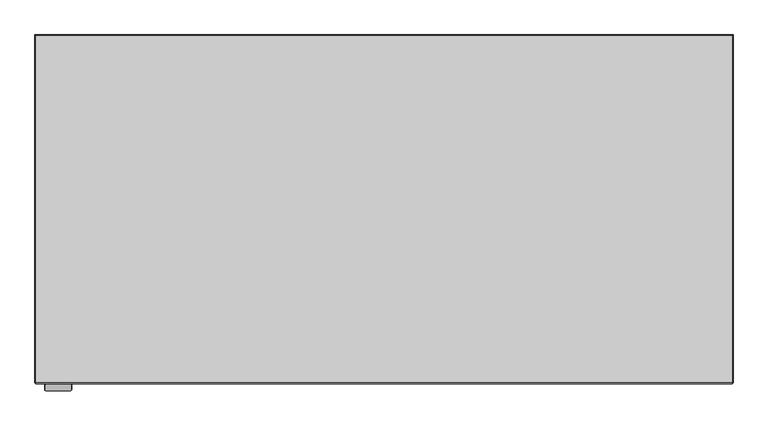
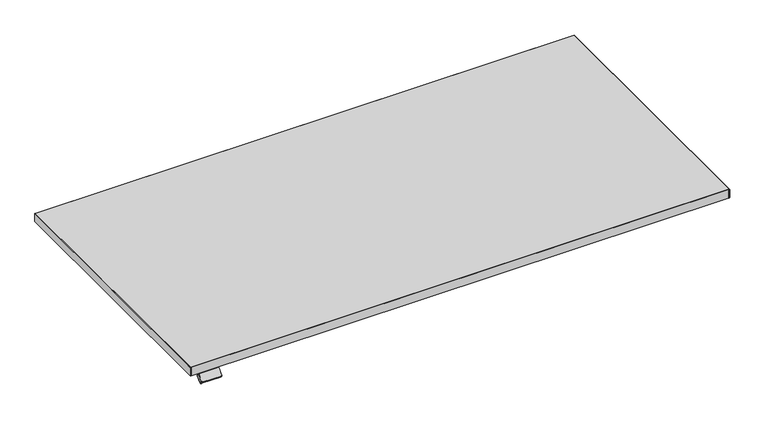
"""IFC4 building model written with IfcOpenShell, lengths in millimetres: furniture geometry."""

from ifc_helpers import new_model, si_unit, point, frame, frame_2d, origin, place, context, project, spatial, polyline, circle_curve, trimmed, segment, composite_curve, outline, extrude, faceted_brep, source, transform, mapped, element, save
from ifc_brep_helpers import plane_surface, cylinder_surface, advanced_brep


def furniture_91ea06f3(model_context):
    return source(origin(), model_context, "Body", "SolidModel", [
        advanced_brep(
        [(-712.1377438, -419.5454312, 964.838), (-712.1377438, -451.6, 964.838), (-662.6377614, -451.6, 964.838), (-662.6377614, -419.5454312, 964.838), (-662.6377614, -419.5454312, 957.0941454), (-662.6377614, -446.6161373, 957.0941454), (-712.1377438, -446.6161373, 957.0941454), (-712.1377438, -419.5454312, 957.0941454), (-662.6377614, -451.6, 961.3022703), (-662.6377614, -449.1527665, 963.7495038), (-662.6377614, -444.5567727, 959.15351), (-712.1377438, -451.6, 961.3022703), (-712.1377438, -444.5567727, 959.15351), (-712.1377438, -449.1527665, 963.7495038), (-661.1885979, -449.1527665, 963.7495038), (-713.486, -449.1527665, 963.7495038), (-715.518, -450.5896075, 962.3126628), (-715.518, -464.8280905, 948.0741797), (-713.486, -466.2649315, 946.6373388), (-661.5656329, -466.2649315, 946.6373388), (-659.3357614, -464.6881742, 948.2140961), (-659.3357614, -450.4629198, 962.4393505), (-713.486, -444.5567727, 959.15351), (-661.1885979, -444.5567727, 959.15351), (-659.3357614, -445.866926, 957.8433567), (-659.3357614, -460.0921804, 943.6181023), (-661.5656329, -461.6689377, 942.041345), (-713.486, -461.6689377, 942.041345), (-715.518, -460.2320967, 943.478186), (-715.518, -445.9936137, 957.716669)],
        [
            (0, 1),
            (1, 2),
            (2, 3),
            (3, 0),
            (4, 5),
            (5, 6),
            (6, 7),
            (7, 4),
            (3, 4),
            (7, 0),
            (2, 8),
            (8, 9),
            (9, 10),
            (10, 5),
            (1, 11),
            (11, 8),
            (6, 12),
            (12, 13),
            (13, 11),
            (14, 9),
            (13, 15),
            (15, 16, circle_curve(frame((-713.486, -450.5896075, 962.3126628), z_axis=(0.0, -0.7071067811865493, 0.7071067811865457), x_axis=(0.0, -0.7071067811865457, -0.7071067811865493)), 2.032)),
            (16, 17),
            (17, 18, circle_curve(frame((-713.486, -464.8280905, 948.0741797), z_axis=(0.0, -0.7071067811865493, 0.7071067811865457), x_axis=(0.0, -0.7071067811865457, -0.7071067811865493)), 2.032)),
            (18, 19),
            (19, 20, circle_curve(frame((-661.5656329, -464.6881742, 948.2140961), z_axis=(0.0, -0.7071067811865493, 0.7071067811865457), x_axis=(0.0, -0.7071067811865457, -0.7071067811865493)), 2.2298716)),
            (20, 21),
            (21, 14, circle_curve(frame((-661.1885979, -450.4629198, 962.4393505), z_axis=(0.0, -0.7071067811865493, 0.7071067811865457), x_axis=(0.0, -0.7071067811865457, -0.7071067811865493)), 1.8528366)),
            (22, 12),
            (10, 23),
            (23, 24, circle_curve(frame((-661.1885979, -445.866926, 957.8433567), z_axis=(0.0, 0.7071067811865493, -0.7071067811865457), x_axis=(0.0, -0.7071067811865457, -0.7071067811865493)), 1.8528366)),
            (24, 25),
            (25, 26, circle_curve(frame((-661.5656329, -460.0921804, 943.6181023), z_axis=(0.0, 0.7071067811865493, -0.7071067811865457), x_axis=(0.0, -0.7071067811865457, -0.7071067811865493)), 2.2298716)),
            (26, 27),
            (27, 28, circle_curve(frame((-713.486, -460.2320967, 943.478186), z_axis=(0.0, 0.7071067811865493, -0.7071067811865457), x_axis=(0.0, -0.7071067811865457, -0.7071067811865493)), 2.032)),
            (28, 29),
            (29, 22, circle_curve(frame((-713.486, -445.9936137, 957.716669), z_axis=(0.0, 0.7071067811865493, -0.7071067811865457), x_axis=(0.0, -0.7071067811865457, -0.7071067811865493)), 2.032)),
            (22, 15),
            (14, 23),
            (21, 24),
            (20, 25),
            (19, 26),
            (18, 27),
            (17, 28),
            (16, 29),
        ],
        [
            plane_surface(frame((-662.6377614, -419.5454312, 964.838), z_axis=(0.0, 0.0, 1.0), x_axis=(1.0, 0.0, 0.0))),
            plane_surface(frame((-662.6377614, -419.5454312, 957.0941454), z_axis=(0.0, 0.0, -1.0), x_axis=(-1.0, 0.0, 0.0))),
            plane_surface(frame((-712.1377438, -419.5454312, 964.838), z_axis=(0.0, 1.0, 0.0), x_axis=(0.0, 0.0, -1.0))),
            plane_surface(frame((-662.6377614, -419.5454312, 964.838), z_axis=(1.0, 0.0, 0.0), x_axis=(0.0, 0.0, -1.0))),
            plane_surface(frame((-662.6377614, -451.6, 964.838), z_axis=(0.0, -1.0, 0.0), x_axis=(0.0, 0.0, -1.0))),
            plane_surface(frame((-712.1377438, -451.6, 964.838), z_axis=(-1.0, 0.0, 0.0), x_axis=(0.0, 0.0, -1.0))),
            plane_surface(frame((-661.1885979, -449.1527665, 963.7495038), z_axis=(0.0, -0.7071067811865493, 0.7071067811865457), x_axis=(1.0, 0.0, 0.0))),
            plane_surface(frame((-661.1885979, -444.5567727, 959.15351), z_axis=(0.0, 0.7071067811865493, -0.7071067811865457), x_axis=(-1.0, 0.0, 0.0))),
            plane_surface(frame((-713.486, -449.1527665, 963.7495038), z_axis=(0.0, 0.7071067811865476, 0.7071067811865476), x_axis=(0.0, 0.7071067811865476, -0.7071067811865476))),
            cylinder_surface(frame((-661.1885979, -445.866926, 957.8433567), z_axis=(0.0, -0.7071067811865493, 0.7071067811865457), x_axis=(0.0, -0.7071067811865457, -0.7071067811865493)), 1.8528366),
            plane_surface(frame((-659.3357614, -450.4629198, 962.4393505), z_axis=(1.0000000000000002, 0.0, 0.0), x_axis=(0.0, 0.7071067811865476, -0.7071067811865476))),
            cylinder_surface(frame((-661.5656329, -460.0921804, 943.6181023), z_axis=(0.0, -0.7071067811865493, 0.7071067811865457), x_axis=(0.0, -0.7071067811865457, -0.7071067811865493)), 2.2298716),
            plane_surface(frame((-661.5656329, -466.2649315, 946.6373388), z_axis=(0.0, -0.7071067811865476, -0.7071067811865476), x_axis=(0.0, 0.7071067811865476, -0.7071067811865476))),
            cylinder_surface(frame((-713.486, -460.2320967, 943.478186), z_axis=(0.0, -0.7071067811865493, 0.7071067811865457), x_axis=(0.0, -0.7071067811865457, -0.7071067811865493)), 2.032),
            plane_surface(frame((-715.518, -464.8280905, 948.0741797), z_axis=(-1.0, 0.0, 0.0), x_axis=(0.0, 0.7071067811865527, -0.7071067811865424))),
            cylinder_surface(frame((-713.486, -445.9936137, 957.716669), z_axis=(0.0, -0.7071067811865493, 0.7071067811865457), x_axis=(0.0, -0.7071067811865457, -0.7071067811865493)), 2.032),
        ],
        [
            (0, [[1, 2, 3, 4]]),
            (1, [[5, 6, 7, 8]]),
            (2, [[9, -8, 10, -4]]),
            (3, [[11, 12, 13, 14, -5, -9, -3]]),
            (4, [[15, 16, -11, -2]]),
            (5, [[-10, -7, 17, 18, 19, -15, -1]]),
            (6, [[20, -12, -16, -19, 21, 22, 23, 24, 25, 26, 27, 28]]),
            (7, [[29, -17, -6, -14, 30, 31, 32, 33, 34, 35, 36, 37]]),
            (8, [[-21, -18, -29, 38]]),
            (8, [[-30, -13, -20, 39]]),
            (9, [[40, -31, -39, -28]]),
            (10, [[41, -32, -40, -27]]),
            (11, [[42, -33, -41, -26]]),
            (12, [[43, -34, -42, -25]]),
            (13, [[44, -35, -43, -24]]),
            (14, [[45, -36, -44, -23]]),
            (15, [[-38, -37, -45, -22]]),
        ],
    ),
        extrude(outline(composite_curve([segment(polyline([(48.6765212, 0.0), (0.0, 0.0)]), True, "CONTINUOUS"), segment(trimmed(circle_curve(frame_2d((0.0, 2.8504615)), 2.8504615), [point((0.0, 0.0))], [point((-2.8504616, 2.8504615))], False, "CARTESIAN"), True, "CONTINUOUS"), segment(polyline([(-2.8504616, 2.8504615), (-2.8504616, 19.0283589)]), True, "CONTINUOUS"), segment(trimmed(circle_curve(frame_2d((-0.0003332, 19.0283589)), 2.8501284), [point((-2.8504616, 19.0283589))], [point((-0.0003332, 21.8784873))], False, "CARTESIAN"), True, "CONTINUOUS"), segment(polyline([(-0.0003332, 21.8784873), (48.7382411, 21.8784873)]), True, "CONTINUOUS"), segment(trimmed(circle_curve(frame_2d((48.7382411, 18.8922072)), 2.9862801), [point((48.7382411, 21.8784873))], [point((51.7245212, 18.8922072))], False, "CARTESIAN"), True, "CONTINUOUS"), segment(polyline([(51.7245212, 18.8922072), (51.7245212, 3.048)]), True, "CONTINUOUS"), segment(trimmed(circle_curve(frame_2d((48.6765212, 3.048)), 3.048), [point((51.7245212, 3.048))], [point((48.6765212, 0.0))], False, "CARTESIAN"), True, "CONTINUOUS")], self_intersect=False)), frame((-662.8979479, -443.782049, 956.7297033), z_axis=(0.0, -0.7071067811865493, 0.7071067811865457), x_axis=(-1.0, 0.0, 0.0)), (0.0, 0.0, 1.0), 11.2615577),
        extrude(outline(polyline([(-735.8379612, -450.0014375), (735.837937, -450.0014375), (734.2393744, -451.6), (-734.2393744, -451.6), (-735.8379612, -450.0014375)])), frame((0.0, 0.0, 964.838), z_axis=(0.0, 0.0, 1.0), x_axis=(1.0, 0.0, 0.0)), (0.0, 0.0, 1.0), 25.0),
        faceted_brep([(734.2395821, -451.5997924, 964.838), (734.7783794, -452.1386142, 965.5999919), (734.7783794, -452.1386142, 989.0760081), (734.2395821, -451.5997924, 989.838), (736.5996132, -450.3174632, 989.0760081), (736.5996132, -450.3174632, 965.5999919), (736.5996132, 285.0003864, 965.5999919), (736.5996132, 285.0003864, 989.0760081), (735.8376214, -450.0018257, 964.838), (735.8376214, -450.0018257, 989.838), (735.8376214, 284.2383946, 989.838), (735.8376214, 284.2383946, 964.838), (-736.6, 285.0003864, 965.5999919), (-736.6, 285.0003864, 989.0760081), (-735.8380081, 284.2383946, 989.838), (-735.8380081, 284.2383946, 964.838), (-734.2395821, -451.5997924, 964.838), (-734.2395821, -451.5997924, 989.838), (-734.7783876, -452.138606, 989.0760081), (-734.7783876, -452.138606, 965.5999919), (-736.6, -450.3170212, 965.5999919), (-736.6, -450.3170212, 989.0760081), (-735.8380081, -450.0013905, 989.838), (-735.8380081, -450.0013905, 964.838)], [[[0, 1, 2, 3]], [[4, 5, 6, 7]], [[8, 9, 10, 11]], [[7, 6, 12, 13]], [[11, 10, 14, 15]], [[16, 17, 18, 19]], [[13, 12, 20, 21]], [[15, 14, 22, 23]], [[5, 8, 11, 6]], [[9, 4, 7, 10]], [[6, 11, 15, 12]], [[10, 7, 13, 14]], [[12, 15, 23, 20]], [[14, 13, 21, 22]], [[1, 0, 8, 5]], [[2, 1, 5, 4]], [[3, 2, 4, 9]], [[0, 3, 9, 8]], [[20, 23, 16, 19]], [[21, 20, 19, 18]], [[22, 21, 18, 17]], [[23, 22, 17, 16]]]),
        extrude(outline(polyline([(735.8376214, 284.2383946), (735.8376214, -450.0014375), (-735.8380081, -450.0014375), (-735.8380081, 284.2383946), (735.8376214, 284.2383946)])), frame((0.0, 0.0, 964.838), z_axis=(0.0, 0.0, 1.0), x_axis=(1.0, 0.0, 0.0)), (0.0, 0.0, 1.0), 25.0),
    ])


if __name__ == "__main__":
    model = new_model("IFC4")
    model_context = context("Model", 3, world=origin())
    ifc_project = project(units=[si_unit("LENGTHUNIT", "METRE", prefix="MILLI")], contexts=[model_context])
    site = spatial("IfcSite", under=ifc_project)
    building = spatial("IfcBuilding", under=site)
    placement = place(None, origin())
    furniture_shape = furniture_91ea06f3(model_context)
    element("IfcFurniture", 1, at=placement, inside=building, context=model_context, shape_type="MappedRepresentation", body=[
        mapped(furniture_shape, transform((0.0, 0.0, 0.0), x_axis=(1.0, 0.0, 0.0), y_axis=(0.0, 1.0, 0.0), z_axis=(0.0, 0.0, 1.0))),
    ])
    save(model, "model.ifc")
